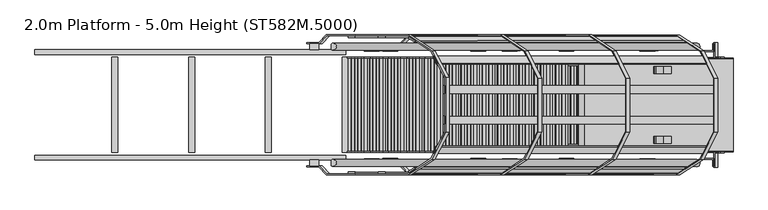
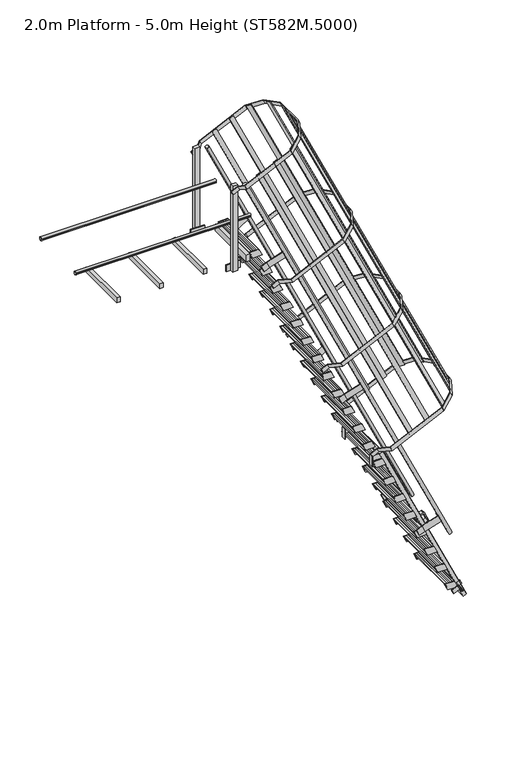
"""IFC4 building model written with IfcOpenShell, lengths in millimetres: proxy geometry, 2.0m Platform - 5.0m Height (ST582M.5000)."""

from ifc_helpers import new_model, si_unit, point, frame, frame_2d, origin, place, context, project, spatial, polyline, circle_curve, trimmed, segment, composite_curve, outline, extrude, source, transform, mapped, element, save


def proxy_2_0m_platform_5_0m_height_st582m_5000_7f1e8ba9(model_context):
    return source(origin(), model_context, "Body", "SweptSolid", [
        extrude(outline(polyline([(4750.0, -287.4261889), (4670.0, -250.1215813), (4670.0, -139.7837842), (4750.0, -177.0883969), (4750.0, -287.4261889)])), frame((0.0, 298.5, 0.0), z_axis=(0.0, 1.0, 0.0), x_axis=(0.0, 0.0, 1.0)), (0.0, 0.0, 1.0), 6.0),
        extrude(outline(polyline([(4750.0, -287.4261889), (4670.0, -250.1215813), (4670.0, -139.7837842), (4750.0, -177.0883969), (4750.0, -287.4261889)])), frame((0.0, -304.5, 0.0), z_axis=(0.0, 1.0, 0.0), x_axis=(0.0, 0.0, 1.0)), (0.0, 0.0, 1.0), 6.0),
        extrude(outline(polyline([(4750.0, -280.2542326), (4712.0999991, -262.5811744), (4712.0999991, -260.3744186), (4747.0, -276.648554), (4747.0, -177.8962297), (4712.0999991, -161.6220921), (4712.0999991, -159.4153362), (4750.0, -177.0883969), (4750.0, -197.516138), (4749.2749538, -197.8542326), (4750.0, -198.1923272), (4750.0, -218.116138), (4749.2749538, -218.4542326), (4750.0, -218.7923272), (4750.0, -238.716138), (4749.2749538, -239.0542326), (4750.0, -239.3923272), (4750.0, -259.316138), (4749.2749538, -259.6542326), (4750.0, -259.9923272), (4750.0, -280.2542326)])), frame((0.0, -298.5, 0.0), z_axis=(0.0, 1.0, 0.0), x_axis=(0.0, 0.0, 1.0)), (0.0, 0.0, 1.0), 597.0),
        extrude(outline(polyline([(4500.0, -170.8475896), (4420.0, -133.542982), (4420.0, -23.2051849), (4500.0, -60.5097976), (4500.0, -170.8475896)])), frame((0.0, 298.5, 0.0), z_axis=(0.0, 1.0, 0.0), x_axis=(0.0, 0.0, 1.0)), (0.0, 0.0, 1.0), 6.0),
        extrude(outline(polyline([(4500.0, -170.8475896), (4420.0, -133.542982), (4420.0, -23.2051849), (4500.0, -60.5097976), (4500.0, -170.8475896)])), frame((0.0, -304.5, 0.0), z_axis=(0.0, 1.0, 0.0), x_axis=(0.0, 0.0, 1.0)), (0.0, 0.0, 1.0), 6.0),
        extrude(outline(polyline([(4500.0, -163.6756333), (4462.0999991, -146.0025751), (4462.0999991, -143.7958193), (4497.0, -160.0699547), (4497.0, -61.3176305), (4462.0999991, -45.0434928), (4462.0999991, -42.8367369), (4500.0, -60.5097976), (4500.0, -80.9375387), (4499.2749538, -81.2756333), (4500.0, -81.6137279), (4500.0, -101.5375387), (4499.2749538, -101.8756333), (4500.0, -102.2137279), (4500.0, -122.1375387), (4499.2749538, -122.4756333), (4500.0, -122.8137279), (4500.0, -142.7375387), (4499.2749538, -143.0756333), (4500.0, -143.4137279), (4500.0, -163.6756333)])), frame((0.0, -298.5, 0.0), z_axis=(0.0, 1.0, 0.0), x_axis=(0.0, 0.0, 1.0)), (0.0, 0.0, 1.0), 597.0),
        extrude(outline(polyline([(4250.0, -54.2689903), (4170.0, -16.9643827), (4170.0, 93.3734144), (4250.0, 56.0688017), (4250.0, -54.2689903)])), frame((0.0, 298.5, 0.0), z_axis=(0.0, 1.0, 0.0), x_axis=(0.0, 0.0, 1.0)), (0.0, 0.0, 1.0), 6.0),
        extrude(outline(polyline([(4250.0, -54.2689903), (4170.0, -16.9643827), (4170.0, 93.3734144), (4250.0, 56.0688017), (4250.0, -54.2689903)])), frame((0.0, -304.5, 0.0), z_axis=(0.0, 1.0, 0.0), x_axis=(0.0, 0.0, 1.0)), (0.0, 0.0, 1.0), 6.0),
        extrude(outline(polyline([(4250.0, -47.097034), (4212.0999991, -29.4239758), (4212.0999991, -27.21722), (4247.0, -43.4913555), (4247.0, 55.2609688), (4212.0999991, 71.5351065), (4212.0999991, 73.7418623), (4250.0, 56.0688017), (4250.0, 35.6410605), (4249.2749538, 35.302966), (4250.0, 34.9648714), (4250.0, 15.0410605), (4249.2749538, 14.702966), (4250.0, 14.3648714), (4250.0, -5.5589395), (4249.2749538, -5.897034), (4250.0, -6.2351286), (4250.0, -26.1589395), (4249.2749538, -26.497034), (4250.0, -26.8351286), (4250.0, -47.097034)])), frame((0.0, -298.5, 0.0), z_axis=(0.0, 1.0, 0.0), x_axis=(0.0, 0.0, 1.0)), (0.0, 0.0, 1.0), 597.0),
        extrude(outline(polyline([(4000.0, 62.309609), (3920.0, 99.6142166), (3920.0, 209.9520136), (4000.0, 172.647401), (4000.0, 62.309609)])), frame((0.0, 298.5, 0.0), z_axis=(0.0, 1.0, 0.0), x_axis=(0.0, 0.0, 1.0)), (0.0, 0.0, 1.0), 6.0),
        extrude(outline(polyline([(4000.0, 62.309609), (3920.0, 99.6142166), (3920.0, 209.9520136), (4000.0, 172.647401), (4000.0, 62.309609)])), frame((0.0, -304.5, 0.0), z_axis=(0.0, 1.0, 0.0), x_axis=(0.0, 0.0, 1.0)), (0.0, 0.0, 1.0), 6.0),
        extrude(outline(polyline([(4000.0, 69.4815653), (3962.0999991, 87.1546235), (3962.0999991, 89.3613793), (3997.0, 73.0872438), (3997.0, 171.8395681), (3962.0999991, 188.1137058), (3962.0999991, 190.3204616), (4000.0, 172.647401), (4000.0, 152.2196598), (3999.2749538, 151.8815653), (4000.0, 151.5434707), (4000.0, 131.6196598), (3999.2749538, 131.2815653), (4000.0, 130.9434707), (4000.0, 111.0196598), (3999.2749538, 110.6815653), (4000.0, 110.3434707), (4000.0, 90.4196598), (3999.2749538, 90.0815653), (4000.0, 89.7434707), (4000.0, 69.4815653)])), frame((0.0, -298.5, 0.0), z_axis=(0.0, 1.0, 0.0), x_axis=(0.0, 0.0, 1.0)), (0.0, 0.0, 1.0), 597.0),
        extrude(outline(polyline([(3750.0, 178.8882083), (3670.0, 216.1928159), (3670.0, 326.5306129), (3750.0, 289.2260003), (3750.0, 178.8882083)])), frame((0.0, 298.5, 0.0), z_axis=(0.0, 1.0, 0.0), x_axis=(0.0, 0.0, 1.0)), (0.0, 0.0, 1.0), 6.0),
        extrude(outline(polyline([(3750.0, 178.8882083), (3670.0, 216.1928159), (3670.0, 326.5306129), (3750.0, 289.2260003), (3750.0, 178.8882083)])), frame((0.0, -304.5, 0.0), z_axis=(0.0, 1.0, 0.0), x_axis=(0.0, 0.0, 1.0)), (0.0, 0.0, 1.0), 6.0),
        extrude(outline(polyline([(3750.0, 186.0601646), (3712.0999991, 203.7332228), (3712.0999991, 205.9399786), (3747.0, 189.6658431), (3747.0, 288.4181674), (3712.0999991, 304.6923051), (3712.0999991, 306.8990609), (3750.0, 289.2260003), (3750.0, 268.7982591), (3749.2749538, 268.4601646), (3750.0, 268.12207), (3750.0, 248.1982591), (3749.2749538, 247.8601646), (3750.0, 247.52207), (3750.0, 227.5982591), (3749.2749538, 227.2601646), (3750.0, 226.92207), (3750.0, 206.9982591), (3749.2749538, 206.6601646), (3750.0, 206.32207), (3750.0, 186.0601646)])), frame((0.0, -298.5, 0.0), z_axis=(0.0, 1.0, 0.0), x_axis=(0.0, 0.0, 1.0)), (0.0, 0.0, 1.0), 597.0),
        extrude(outline(polyline([(3500.0, 295.4668075), (3420.0, 332.7714151), (3420.0, 443.1092122), (3500.0, 405.8045996), (3500.0, 295.4668075)])), frame((0.0, 298.5, 0.0), z_axis=(0.0, 1.0, 0.0), x_axis=(0.0, 0.0, 1.0)), (0.0, 0.0, 1.0), 6.0),
        extrude(outline(polyline([(3500.0, 295.4668075), (3420.0, 332.7714151), (3420.0, 443.1092122), (3500.0, 405.8045996), (3500.0, 295.4668075)])), frame((0.0, -304.5, 0.0), z_axis=(0.0, 1.0, 0.0), x_axis=(0.0, 0.0, 1.0)), (0.0, 0.0, 1.0), 6.0),
        extrude(outline(polyline([(3500.0, 302.6387638), (3462.0999991, 320.3118221), (3462.0999991, 322.5185779), (3497.0, 306.2444424), (3497.0, 404.9967667), (3462.0999991, 421.2709044), (3462.0999991, 423.4776602), (3500.0, 405.8045996), (3500.0, 385.3768584), (3499.2749538, 385.0387638), (3500.0, 384.7006693), (3500.0, 364.7768584), (3499.2749538, 364.4387638), (3500.0, 364.1006693), (3500.0, 344.1768584), (3499.2749538, 343.8387638), (3500.0, 343.5006693), (3500.0, 323.5768584), (3499.2749538, 323.2387638), (3500.0, 322.9006693), (3500.0, 302.6387638)])), frame((0.0, -298.5, 0.0), z_axis=(0.0, 1.0, 0.0), x_axis=(0.0, 0.0, 1.0)), (0.0, 0.0, 1.0), 597.0),
        extrude(outline(polyline([(3250.0, 412.0454068), (3170.0, 449.3500144), (3170.0, 559.6878115), (3250.0, 522.3831988), (3250.0, 412.0454068)])), frame((0.0, 298.5, 0.0), z_axis=(0.0, 1.0, 0.0), x_axis=(0.0, 0.0, 1.0)), (0.0, 0.0, 1.0), 6.0),
        extrude(outline(polyline([(3250.0, 412.0454068), (3170.0, 449.3500144), (3170.0, 559.6878115), (3250.0, 522.3831988), (3250.0, 412.0454068)])), frame((0.0, -304.5, 0.0), z_axis=(0.0, 1.0, 0.0), x_axis=(0.0, 0.0, 1.0)), (0.0, 0.0, 1.0), 6.0),
        extrude(outline(polyline([(3250.0, 419.2173631), (3212.0999991, 436.8904214), (3212.0999991, 439.0971772), (3247.0, 422.8230417), (3247.0, 521.575366), (3212.0999991, 537.8495037), (3212.0999991, 540.0562595), (3250.0, 522.3831988), (3250.0, 501.9554577), (3249.2749538, 501.6173631), (3250.0, 501.2792686), (3250.0, 481.3554577), (3249.2749538, 481.0173631), (3250.0, 480.6792686), (3250.0, 460.7554577), (3249.2749538, 460.4173631), (3250.0, 460.0792686), (3250.0, 440.1554577), (3249.2749538, 439.8173631), (3250.0, 439.4792686), (3250.0, 419.2173631)])), frame((0.0, -298.5, 0.0), z_axis=(0.0, 1.0, 0.0), x_axis=(0.0, 0.0, 1.0)), (0.0, 0.0, 1.0), 597.0),
        extrude(outline(polyline([(3000.0, 528.6240061), (2920.0, 565.9286137), (2920.0, 676.2664108), (3000.0, 638.9617981), (3000.0, 528.6240061)])), frame((0.0, 298.5, 0.0), z_axis=(0.0, 1.0, 0.0), x_axis=(0.0, 0.0, 1.0)), (0.0, 0.0, 1.0), 6.0),
        extrude(outline(polyline([(3000.0, 528.6240061), (2920.0, 565.9286137), (2920.0, 676.2664108), (3000.0, 638.9617981), (3000.0, 528.6240061)])), frame((0.0, -304.5, 0.0), z_axis=(0.0, 1.0, 0.0), x_axis=(0.0, 0.0, 1.0)), (0.0, 0.0, 1.0), 6.0),
        extrude(outline(polyline([(3000.0, 535.7959624), (2962.0999991, 553.4690207), (2962.0999991, 555.6757764), (2997.0, 539.401641), (2997.0, 638.1539653), (2962.0999991, 654.4281029), (2962.0999991, 656.6348588), (3000.0, 638.9617981), (3000.0, 618.534057), (2999.2749538, 618.1959624), (3000.0, 617.8578678), (3000.0, 597.934057), (2999.2749538, 597.5959624), (3000.0, 597.2578678), (3000.0, 577.334057), (2999.2749538, 576.9959624), (3000.0, 576.6578678), (3000.0, 556.734057), (2999.2749538, 556.3959624), (3000.0, 556.0578678), (3000.0, 535.7959624)])), frame((0.0, -298.5, 0.0), z_axis=(0.0, 1.0, 0.0), x_axis=(0.0, 0.0, 1.0)), (0.0, 0.0, 1.0), 597.0),
        extrude(outline(polyline([(2750.0, 645.2026054), (2670.0, 682.507213), (2670.0, 792.8450101), (2750.0, 755.5403974), (2750.0, 645.2026054)])), frame((0.0, 298.5, 0.0), z_axis=(0.0, 1.0, 0.0), x_axis=(0.0, 0.0, 1.0)), (0.0, 0.0, 1.0), 6.0),
        extrude(outline(polyline([(2750.0, 645.2026054), (2670.0, 682.507213), (2670.0, 792.8450101), (2750.0, 755.5403974), (2750.0, 645.2026054)])), frame((0.0, -304.5, 0.0), z_axis=(0.0, 1.0, 0.0), x_axis=(0.0, 0.0, 1.0)), (0.0, 0.0, 1.0), 6.0),
        extrude(outline(polyline([(2750.0, 652.3745617), (2712.0999991, 670.0476199), (2712.0999991, 672.2543757), (2747.0, 655.9802403), (2747.0, 754.7325646), (2712.0999991, 771.0067022), (2712.0999991, 773.2134581), (2750.0, 755.5403974), (2750.0, 735.1126563), (2749.2749538, 734.7745617), (2750.0, 734.4364671), (2750.0, 714.5126563), (2749.2749538, 714.1745617), (2750.0, 713.8364671), (2750.0, 693.9126563), (2749.2749538, 693.5745617), (2750.0, 693.2364671), (2750.0, 673.3126563), (2749.2749538, 672.9745617), (2750.0, 672.6364671), (2750.0, 652.3745617)])), frame((0.0, -298.5, 0.0), z_axis=(0.0, 1.0, 0.0), x_axis=(0.0, 0.0, 1.0)), (0.0, 0.0, 1.0), 597.0),
        extrude(outline(polyline([(2500.0, 761.7812047), (2420.0, 799.0858123), (2420.0, 909.4236094), (2500.0, 872.1189967), (2500.0, 761.7812047)])), frame((0.0, 298.5, 0.0), z_axis=(0.0, 1.0, 0.0), x_axis=(0.0, 0.0, 1.0)), (0.0, 0.0, 1.0), 6.0),
        extrude(outline(polyline([(2500.0, 761.7812047), (2420.0, 799.0858123), (2420.0, 909.4236094), (2500.0, 872.1189967), (2500.0, 761.7812047)])), frame((0.0, -304.5, 0.0), z_axis=(0.0, 1.0, 0.0), x_axis=(0.0, 0.0, 1.0)), (0.0, 0.0, 1.0), 6.0),
        extrude(outline(polyline([(2500.0, 768.953161), (2462.0999991, 786.6262192), (2462.0999991, 788.832975), (2497.0, 772.5588396), (2497.0, 871.3111638), (2462.0999991, 887.5853015), (2462.0999991, 889.7920574), (2500.0, 872.1189967), (2500.0, 851.6912556), (2499.2749538, 851.353161), (2500.0, 851.0150664), (2500.0, 831.0912556), (2499.2749538, 830.753161), (2500.0, 830.4150664), (2500.0, 810.4912556), (2499.2749538, 810.153161), (2500.0, 809.8150664), (2500.0, 789.8912556), (2499.2749538, 789.553161), (2500.0, 789.2150664), (2500.0, 768.953161)])), frame((0.0, -298.5, 0.0), z_axis=(0.0, 1.0, 0.0), x_axis=(0.0, 0.0, 1.0)), (0.0, 0.0, 1.0), 597.0),
        extrude(outline(polyline([(2250.0, 878.359804), (2170.0, 915.6644116), (2170.0, 1026.0022087), (2250.0, 988.697596), (2250.0, 878.359804)])), frame((0.0, 298.5, 0.0), z_axis=(0.0, 1.0, 0.0), x_axis=(0.0, 0.0, 1.0)), (0.0, 0.0, 1.0), 6.0),
        extrude(outline(polyline([(2250.0, 878.359804), (2170.0, 915.6644116), (2170.0, 1026.0022087), (2250.0, 988.697596), (2250.0, 878.359804)])), frame((0.0, -304.5, 0.0), z_axis=(0.0, 1.0, 0.0), x_axis=(0.0, 0.0, 1.0)), (0.0, 0.0, 1.0), 6.0),
        extrude(outline(polyline([(2250.0, 885.5317603), (2212.0999991, 903.2048185), (2212.0999991, 905.4115743), (2247.0, 889.1374388), (2247.0, 987.8897631), (2212.0999991, 1004.1639008), (2212.0999991, 1006.3706566), (2250.0, 988.697596), (2250.0, 968.2698548), (2249.2749538, 967.9317603), (2250.0, 967.5936657), (2250.0, 947.6698548), (2249.2749538, 947.3317603), (2250.0, 946.9936657), (2250.0, 927.0698548), (2249.2749538, 926.7317603), (2250.0, 926.3936657), (2250.0, 906.4698548), (2249.2749538, 906.1317603), (2250.0, 905.7936657), (2250.0, 885.5317603)])), frame((0.0, -298.5, 0.0), z_axis=(0.0, 1.0, 0.0), x_axis=(0.0, 0.0, 1.0)), (0.0, 0.0, 1.0), 597.0),
        extrude(outline(polyline([(2000.0, 994.9384033), (1920.0, 1032.2430109), (1920.0, 1142.5808079), (2000.0, 1105.2761953), (2000.0, 994.9384033)])), frame((0.0, 298.5, 0.0), z_axis=(0.0, 1.0, 0.0), x_axis=(0.0, 0.0, 1.0)), (0.0, 0.0, 1.0), 6.0),
        extrude(outline(polyline([(2000.0, 994.9384033), (1920.0, 1032.2430109), (1920.0, 1142.5808079), (2000.0, 1105.2761953), (2000.0, 994.9384033)])), frame((0.0, -304.5, 0.0), z_axis=(0.0, 1.0, 0.0), x_axis=(0.0, 0.0, 1.0)), (0.0, 0.0, 1.0), 6.0),
        extrude(outline(polyline([(2000.0, 1002.1103596), (1962.0999991, 1019.7834178), (1962.0999991, 1021.9901736), (1997.0, 1005.7160381), (1997.0, 1104.4683624), (1962.0999991, 1120.7425001), (1962.0999991, 1122.9492559), (2000.0, 1105.2761953), (2000.0, 1084.8484541), (1999.2749538, 1084.5103596), (2000.0, 1084.172265), (2000.0, 1064.2484541), (1999.2749538, 1063.9103596), (2000.0, 1063.572265), (2000.0, 1043.6484541), (1999.2749538, 1043.3103596), (2000.0, 1042.972265), (2000.0, 1023.0484541), (1999.2749538, 1022.7103596), (2000.0, 1022.372265), (2000.0, 1002.1103596)])), frame((0.0, -298.5, 0.0), z_axis=(0.0, 1.0, 0.0), x_axis=(0.0, 0.0, 1.0)), (0.0, 0.0, 1.0), 597.0),
        extrude(outline(polyline([(1750.0, 1111.5170026), (1670.0, 1148.8216102), (1670.0, 1259.1594072), (1750.0, 1221.8547946), (1750.0, 1111.5170026)])), frame((0.0, 298.5, 0.0), z_axis=(0.0, 1.0, 0.0), x_axis=(0.0, 0.0, 1.0)), (0.0, 0.0, 1.0), 6.0),
        extrude(outline(polyline([(1750.0, 1111.5170026), (1670.0, 1148.8216102), (1670.0, 1259.1594072), (1750.0, 1221.8547946), (1750.0, 1111.5170026)])), frame((0.0, -304.5, 0.0), z_axis=(0.0, 1.0, 0.0), x_axis=(0.0, 0.0, 1.0)), (0.0, 0.0, 1.0), 6.0),
        extrude(outline(polyline([(1750.0, 1118.6889589), (1712.0999991, 1136.3620171), (1712.0999991, 1138.5687729), (1747.0, 1122.2946374), (1747.0, 1221.0469617), (1712.0999991, 1237.3210994), (1712.0999991, 1239.5278552), (1750.0, 1221.8547946), (1750.0, 1201.4270534), (1749.2749538, 1201.0889589), (1750.0, 1200.7508643), (1750.0, 1180.8270534), (1749.2749538, 1180.4889589), (1750.0, 1180.1508643), (1750.0, 1160.2270534), (1749.2749538, 1159.8889589), (1750.0, 1159.5508643), (1750.0, 1139.6270534), (1749.2749538, 1139.2889589), (1750.0, 1138.9508643), (1750.0, 1118.6889589)])), frame((0.0, -298.5, 0.0), z_axis=(0.0, 1.0, 0.0), x_axis=(0.0, 0.0, 1.0)), (0.0, 0.0, 1.0), 597.0),
        extrude(outline(polyline([(1500.0, 1228.0956018), (1420.0, 1265.4002094), (1420.0, 1375.7380065), (1500.0, 1338.4333939), (1500.0, 1228.0956018)])), frame((0.0, 298.5, 0.0), z_axis=(0.0, 1.0, 0.0), x_axis=(0.0, 0.0, 1.0)), (0.0, 0.0, 1.0), 6.0),
        extrude(outline(polyline([(1500.0, 1228.0956018), (1420.0, 1265.4002094), (1420.0, 1375.7380065), (1500.0, 1338.4333939), (1500.0, 1228.0956018)])), frame((0.0, -304.5, 0.0), z_axis=(0.0, 1.0, 0.0), x_axis=(0.0, 0.0, 1.0)), (0.0, 0.0, 1.0), 6.0),
        extrude(outline(polyline([(1500.0, 1235.2675581), (1462.0999991, 1252.9406164), (1462.0999991, 1255.1473722), (1497.0, 1238.8732367), (1497.0, 1337.625561), (1462.0999991, 1353.8996987), (1462.0999991, 1356.1064545), (1500.0, 1338.4333939), (1500.0, 1318.0056527), (1499.2749538, 1317.6675581), (1500.0, 1317.3294636), (1500.0, 1297.4056527), (1499.2749538, 1297.0675581), (1500.0, 1296.7294636), (1500.0, 1276.8056527), (1499.2749538, 1276.4675581), (1500.0, 1276.1294636), (1500.0, 1256.2056527), (1499.2749538, 1255.8675581), (1500.0, 1255.5294636), (1500.0, 1235.2675581)])), frame((0.0, -298.5, 0.0), z_axis=(0.0, 1.0, 0.0), x_axis=(0.0, 0.0, 1.0)), (0.0, 0.0, 1.0), 597.0),
        extrude(outline(polyline([(1250.0, 1344.6742011), (1170.0, 1381.9788087), (1170.0, 1492.3166058), (1250.0, 1455.0119931), (1250.0, 1344.6742011)])), frame((0.0, 298.5, 0.0), z_axis=(0.0, 1.0, 0.0), x_axis=(0.0, 0.0, 1.0)), (0.0, 0.0, 1.0), 6.0),
        extrude(outline(polyline([(1250.0, 1344.6742011), (1170.0, 1381.9788087), (1170.0, 1492.3166058), (1250.0, 1455.0119931), (1250.0, 1344.6742011)])), frame((0.0, -304.5, 0.0), z_axis=(0.0, 1.0, 0.0), x_axis=(0.0, 0.0, 1.0)), (0.0, 0.0, 1.0), 6.0),
        extrude(outline(polyline([(1250.0, 1351.8461574), (1212.0999991, 1369.5192157), (1212.0999991, 1371.7259715), (1247.0, 1355.451836), (1247.0, 1454.2041603), (1212.0999991, 1470.478298), (1212.0999991, 1472.6850538), (1250.0, 1455.0119931), (1250.0, 1434.584252), (1249.2749538, 1434.2461574), (1250.0, 1433.9080629), (1250.0, 1413.984252), (1249.2749538, 1413.6461574), (1250.0, 1413.3080629), (1250.0, 1393.384252), (1249.2749538, 1393.0461574), (1250.0, 1392.7080629), (1250.0, 1372.784252), (1249.2749538, 1372.4461574), (1250.0, 1372.1080629), (1250.0, 1351.8461574)])), frame((0.0, -298.5, 0.0), z_axis=(0.0, 1.0, 0.0), x_axis=(0.0, 0.0, 1.0)), (0.0, 0.0, 1.0), 597.0),
        extrude(outline(polyline([(1000.0, 1461.2528004), (920.0, 1498.557408), (920.0, 1608.8952051), (1000.0, 1571.5905924), (1000.0, 1461.2528004)])), frame((0.0, 298.5, 0.0), z_axis=(0.0, 1.0, 0.0), x_axis=(0.0, 0.0, 1.0)), (0.0, 0.0, 1.0), 6.0),
        extrude(outline(polyline([(1000.0, 1461.2528004), (920.0, 1498.557408), (920.0, 1608.8952051), (1000.0, 1571.5905924), (1000.0, 1461.2528004)])), frame((0.0, -304.5, 0.0), z_axis=(0.0, 1.0, 0.0), x_axis=(0.0, 0.0, 1.0)), (0.0, 0.0, 1.0), 6.0),
        extrude(outline(polyline([(1000.0, 1468.4247567), (962.0999991, 1486.097815), (962.0999991, 1488.3045707), (997.0, 1472.0304353), (997.0, 1570.7827596), (962.0999991, 1587.0568972), (962.0999991, 1589.2636531), (1000.0, 1571.5905924), (1000.0, 1551.1628513), (999.2749538, 1550.8247567), (1000.0, 1550.4866621), (1000.0, 1530.5628513), (999.2749538, 1530.2247567), (1000.0, 1529.8866621), (1000.0, 1509.9628513), (999.2749538, 1509.6247567), (1000.0, 1509.2866621), (1000.0, 1489.3628513), (999.2749538, 1489.0247567), (1000.0, 1488.6866621), (1000.0, 1468.4247567)])), frame((0.0, -298.5, 0.0), z_axis=(0.0, 1.0, 0.0), x_axis=(0.0, 0.0, 1.0)), (0.0, 0.0, 1.0), 597.0),
        extrude(outline(polyline([(750.0, 1577.8313997), (670.0, 1615.1360073), (670.0, 1725.4738044), (750.0, 1688.1691917), (750.0, 1577.8313997)])), frame((0.0, 298.5, 0.0), z_axis=(0.0, 1.0, 0.0), x_axis=(0.0, 0.0, 1.0)), (0.0, 0.0, 1.0), 6.0),
        extrude(outline(polyline([(750.0, 1577.8313997), (670.0, 1615.1360073), (670.0, 1725.4738044), (750.0, 1688.1691917), (750.0, 1577.8313997)])), frame((0.0, -304.5, 0.0), z_axis=(0.0, 1.0, 0.0), x_axis=(0.0, 0.0, 1.0)), (0.0, 0.0, 1.0), 6.0),
        extrude(outline(polyline([(750.0, 1585.003356), (712.0999991, 1602.6764142), (712.0999991, 1604.88317), (747.0, 1588.6090346), (747.0, 1687.3613589), (712.0999991, 1703.6354965), (712.0999991, 1705.8422524), (750.0, 1688.1691917), (750.0, 1667.7414506), (749.2749538, 1667.403356), (750.0, 1667.0652614), (750.0, 1647.1414506), (749.2749538, 1646.803356), (750.0, 1646.4652614), (750.0, 1626.5414506), (749.2749538, 1626.203356), (750.0, 1625.8652614), (750.0, 1605.9414506), (749.2749538, 1605.603356), (750.0, 1605.2652614), (750.0, 1585.003356)])), frame((0.0, -298.5, 0.0), z_axis=(0.0, 1.0, 0.0), x_axis=(0.0, 0.0, 1.0)), (0.0, 0.0, 1.0), 597.0),
        extrude(outline(polyline([(500.0, 1694.409999), (420.0, 1731.7146066), (420.0, 1842.0524037), (500.0, 1804.747791), (500.0, 1694.409999)])), frame((0.0, 298.5, 0.0), z_axis=(0.0, 1.0, 0.0), x_axis=(0.0, 0.0, 1.0)), (0.0, 0.0, 1.0), 6.0),
        extrude(outline(polyline([(500.0, 1694.409999), (420.0, 1731.7146066), (420.0, 1842.0524037), (500.0, 1804.747791), (500.0, 1694.409999)])), frame((0.0, -304.5, 0.0), z_axis=(0.0, 1.0, 0.0), x_axis=(0.0, 0.0, 1.0)), (0.0, 0.0, 1.0), 6.0),
        extrude(outline(polyline([(500.0, 1701.5819553), (462.0999991, 1719.2550135), (462.0999991, 1721.4617693), (497.0, 1705.1876339), (497.0, 1803.9399581), (462.0999991, 1820.2140958), (462.0999991, 1822.4208517), (500.0, 1804.747791), (500.0, 1784.3200499), (499.2749538, 1783.9819553), (500.0, 1783.6438607), (500.0, 1763.7200499), (499.2749538, 1763.3819553), (500.0, 1763.0438607), (500.0, 1743.1200499), (499.2749538, 1742.7819553), (500.0, 1742.4438607), (500.0, 1722.5200499), (499.2749538, 1722.1819553), (500.0, 1721.8438607), (500.0, 1701.5819553)])), frame((0.0, -298.5, 0.0), z_axis=(0.0, 1.0, 0.0), x_axis=(0.0, 0.0, 1.0)), (0.0, 0.0, 1.0), 597.0),
        extrude(outline(polyline([(0.0, -6.0), (0.0, 0.0), (50.0, 0.0), (50.0, -6.0), (0.0, -6.0)])), frame((1001.5086641, 296.0, 1938.5821407), z_axis=(-5.264905366508809e-06, 0.0, 0.9999999999861404), x_axis=(0.0, -1.0, 0.0)), (0.0, 0.0, 1.0), 120.0),
        extrude(outline(polyline([(2000.5826938, 1106.5541818), (2058.5825514, 1079.5080323), (2058.5821407, 1001.5080323), (2000.5821407, 1001.5083377), (2000.5826938, 1106.5541818)])), frame((0.0, 252.0, 0.0), z_axis=(0.0, 1.0, 0.0), x_axis=(0.0, 0.0, 1.0)), (0.0, 0.0, 1.0), 38.0),
        extrude(outline(polyline([(0.0, -6.0), (0.0, 0.0), (50.0, 0.0), (50.0, -6.0), (0.0, -6.0)])), frame((995.5086641, -296.0, 1938.5821091), z_axis=(-5.264905364066319e-06, 0.0, 0.9999999999861405), x_axis=(0.0, 1.0, 0.0)), (0.0, 0.0, 1.0), 120.0),
        extrude(outline(polyline([(2000.5826938, 1106.5541818), (2058.5825514, 1079.5080323), (2058.5821407, 1001.5080323), (2000.5821407, 1001.5083377), (2000.5826938, 1106.5541818)])), frame((0.0, -290.0, 0.0), z_axis=(0.0, 1.0, 0.0), x_axis=(0.0, 0.0, 1.0)), (0.0, 0.0, 1.0), 38.0),
        extrude(outline(polyline([(0.0, -590.0), (0.0, 0.0), (2.0, 0.0), (2.0, -590.0), (0.0, -590.0)])), frame((2060.3227343, -295.0, 49.8945417), z_axis=(-0.4226230333595665, 0.0, 0.9063055619789381), x_axis=(-0.9063055619789381, 0.0, -0.4226230333595665)), (0.0, 0.0, 1.0), 2240.0),
        extrude(outline(polyline([(2249.9999999, 0.0), (2249.9999999, -600.0), (0.0, -600.0), (0.0, 0.0), (2249.9999999, 0.0)]), holes=[polyline([(1095.9999999, -58.0), (58.0, -58.0), (58.0, -542.0), (1095.9999999, -542.0), (1095.9999999, -58.0)]), polyline([(1154.0, -542.0), (2191.9999999, -542.0), (2191.9999999, -58.0), (1154.0, -58.0), (1154.0, -542.0)])]), frame((1075.281802, 300.0, 2067.645607), z_axis=(0.9063055619789381, 0.0, 0.4226230333595665), x_axis=(0.4226230333595665, 0.0, -0.9063055619789381)), (0.0, 0.0, 1.0), 38.0),
        extrude(outline(polyline([(0.0, 0.0), (80.0000001, 0.0), (80.0000001, -6.0), (6.0, -6.0), (6.0, -50.0), (0.0, -50.0), (0.0, 0.0)])), frame((1958.5639417, 343.0, 173.4669825), z_axis=(-0.4226230333595665, 0.0, 0.9063055619789381), x_axis=(-0.9063055619789381, 0.0, -0.4226230333595665)), (0.0, 0.0, 1.0), 50.0),
        extrude(outline(polyline([(0.0, 686.0), (0.0, 736.0), (6.0, 736.0), (6.0, 692.0), (80.0000001, 692.0), (80.0000001, 686.0), (0.0, 686.0)])), frame((1958.5639417, 343.0, 173.4669825), z_axis=(-0.4226230333595665, 0.0, 0.9063055619789381), x_axis=(-0.9063055619789381, 0.0, -0.4226230333595665)), (0.0, 0.0, 1.0), 50.0),
        extrude(outline(polyline([(-100.0, 0.0), (0.0, 0.0), (0.0, -50.0), (-6.0, -50.0), (-6.0, -6.0), (-100.0, -6.0), (-100.0, 0.0)])), frame((1958.5639417, -300.0, 173.4669825), z_axis=(-0.4226230333595665, 0.0, 0.9063055619789381), x_axis=(0.0, 1.0, 0.0)), (0.0, 0.0, 1.0), 50.0),
        extrude(outline(polyline([(700.0, 0.0), (700.0, -6.0), (606.0, -6.0), (606.0, -50.0), (600.0, -50.0), (600.0, 0.0), (700.0, 0.0)])), frame((1958.5639417, -300.0, 173.4669825), z_axis=(-0.4226230333595665, 0.0, 0.9063055619789381), x_axis=(0.0, 1.0, 0.0)), (0.0, 0.0, 1.0), 50.0),
        extrude(outline(polyline([(1117.9756465, 1562.2614895), (1132.3705659, 1608.5112062), (1038.1147875, 1652.4640017), (1011.9378957, 1611.7083844), (989.2802567, 1622.2739603), (993.506487, 1631.3370159), (1008.007376, 1624.5750474), (1034.1842678, 1665.3306646), (1144.7535463, 1613.7706545), (1130.3586269, 1567.5209378), (1144.8595159, 1560.7589693), (1140.6332855, 1551.6959137), (1117.9756465, 1562.2614895)])), frame((0.0, 201.0, 0.0), z_axis=(0.0, 1.0, 0.0), x_axis=(0.0, 0.0, 1.0)), (0.0, 0.0, 1.0), 44.0),
        extrude(outline(polyline([(1117.9756465, 1562.2614895), (1132.3705659, 1608.5112062), (1038.1147875, 1652.4640017), (1011.9378957, 1611.7083844), (989.2802567, 1622.2739603), (993.506487, 1631.3370159), (1008.007376, 1624.5750474), (1034.1842678, 1665.3306646), (1144.7535463, 1613.7706545), (1130.3586269, 1567.5209378), (1144.8595159, 1560.7589693), (1140.6332855, 1551.6959137), (1117.9756465, 1562.2614895)])), frame((0.0, -245.0, 0.0), z_axis=(0.0, 1.0, 0.0), x_axis=(0.0, 0.0, 1.0)), (0.0, 0.0, 1.0), 44.0),
        extrude(outline(polyline([(-573.915974, 0.0), (0.0, 0.0), (168.0, -100.0), (268.0, -275.0), (268.0, -621.0), (168.0, -796.0), (0.0, -896.0), (-573.915974, -896.0), (-626.9765801, -845.0), (-710.8030304, -845.0), (-710.8030304, -839.0), (-624.5606061, -839.0), (-571.5, -890.0), (-1.5933867, -890.0), (163.6024049, -791.6024049), (262.0, -619.4066134), (262.0, -276.5933866), (163.6024049, -104.3975951), (-1.5933867, -6.0), (-571.5, -6.0), (-624.5606061, -57.0), (-710.8030304, -57.0), (-710.8030304, -51.0), (-626.9765801, -51.0), (-573.915974, 0.0)])), frame((4.1217502, 448.0, 6128.9318413), z_axis=(-0.4226230333595665, 0.0, 0.9063055619789381), x_axis=(0.9063055619789381, 0.0, 0.4226230333595665)), (0.0, 0.0, 1.0), 50.0),
        extrude(outline(polyline([(-6.0, 0.0), (0.0, 0.0), (0.0, -77.584026), (99.0, -180.584026), (99.0, -827.0), (-1.0, -995.0), (-176.0, -1095.0), (-522.0, -1095.0), (-697.0, -995.0), (-797.0, -827.0), (-797.0, -180.584026), (-698.0, -77.584026), (-698.0, 0.0), (-692.0, 0.0), (-692.0, -80.0), (-791.0, -183.0000001), (-791.0, -825.4066134), (-692.6024049, -990.6024049), (-520.4066134, -1089.0), (-177.5933866, -1089.0), (-5.3975951, -990.6024049), (93.0, -825.4066134), (93.0, -183.0000001), (-6.0, -80.0), (-6.0, 0.0)])), frame((408.3248165, 349.0, 3305.3008676), z_axis=(-0.4226230333595665, 0.0, 0.9063055619789381), x_axis=(0.0, 1.0, 0.0)), (0.0, 0.0, 1.0), 50.0),
        extrude(outline(polyline([(-6.0, 0.0), (0.0, 0.0), (0.0, -77.5840259), (99.0, -180.5840259), (99.0, -827.0), (-1.0, -994.9999999), (-176.0, -1094.9999999), (-522.0, -1094.9999999), (-697.0, -994.9999999), (-797.0, -827.0), (-797.0, -180.5840259), (-698.0, -77.5840259), (-698.0, 0.0), (-692.0, 0.0), (-692.0, -79.9999999), (-791.0, -183.0), (-791.0, -825.4066134), (-692.6024049, -990.6024048), (-520.4066134, -1089.0), (-177.5933866, -1089.0), (-5.3975951, -990.6024048), (93.0, -825.4066134), (93.0, -183.0), (-6.0, -79.9999999), (-6.0, 0.0)])), frame((970.370336, 349.0, 2100.0069292), z_axis=(-0.4226230333595665, 0.0, 0.9063055619789381), x_axis=(0.0, 1.0, 0.0)), (0.0, 0.0, 1.0), 50.0),
        extrude(outline(polyline([(0.0, 0.0), (50.0, 0.0), (50.0, -12.0), (0.0, -12.0), (0.0, 0.0)])), frame((1386.3645889, 430.0, 2293.9909015), z_axis=(-0.4226230333595665, 0.0, 0.9063055619789381), x_axis=(-0.9063055619789381, 0.0, -0.4226230333595665)), (0.0, 0.0, 1.0), 4109.795965),
        extrude(outline(polyline([(-210.0, 0.0), (-160.0, 0.0), (-160.0, -12.0), (-210.0, -12.0), (-210.0, 0.0)])), frame((1386.3645889, 430.0, 2293.9909015), z_axis=(-0.4226230333595665, 0.0, 0.9063055619789381), x_axis=(-0.9063055619789381, 0.0, -0.4226230333595665)), (0.0, 0.0, 1.0), 4109.795965),
        extrude(outline(polyline([(-630.0, 357.5), (-618.0, 357.5), (-618.0, 307.5), (-630.0, 307.5), (-630.0, 357.5)])), frame((1386.3645889, 430.0, 2293.9909015), z_axis=(-0.4226230333595665, 0.0, 0.9063055619789381), x_axis=(-0.9063055619789381, 0.0, -0.4226230333595665)), (0.0, 0.0, 1.0), 4109.795965),
        extrude(outline(polyline([(-630.0, 552.5), (-618.0, 552.5), (-618.0, 502.5), (-630.0, 502.5), (-630.0, 552.5)])), frame((1386.3645889, 430.0, 2293.9909015), z_axis=(-0.4226230333595665, 0.0, 0.9063055619789381), x_axis=(-0.9063055619789381, 0.0, -0.4226230333595665)), (0.0, 0.0, 1.0), 4109.795965),
        extrude(outline(polyline([(-210.0, 872.0), (-160.0, 872.0), (-160.0, 860.0), (-210.0, 860.0), (-210.0, 872.0)])), frame((1386.3645889, 430.0, 2293.9909015), z_axis=(-0.4226230333595665, 0.0, 0.9063055619789381), x_axis=(-0.9063055619789381, 0.0, -0.4226230333595665)), (0.0, 0.0, 1.0), 4109.795965),
        extrude(outline(polyline([(0.0, 872.0), (50.0, 872.0), (50.0, 860.0), (0.0, 860.0), (0.0, 872.0)])), frame((1386.3645889, 430.0, 2293.9909015), z_axis=(-0.4226230333595665, 0.0, 0.9063055619789381), x_axis=(-0.9063055619789381, 0.0, -0.4226230333595665)), (0.0, 0.0, 1.0), 4109.795965),
        extrude(outline(polyline([(-416.178252, 29.5287957), (-373.2212406, 3.9417841), (-379.3621233, -6.3678986), (-422.3191349, 19.2191129), (-416.178252, 29.5287957)])), frame((1386.3645889, 430.0, 2293.9909015), z_axis=(-0.4226230333595665, 0.0, 0.9063055619789381), x_axis=(-0.9063055619789381, 0.0, -0.4226230333595665)), (0.0, 0.0, 1.0), 4109.795965),
        extrude(outline(polyline([(-578.1954412, 161.8104088), (-567.7765236, 167.7640761), (-542.9695766, 124.351919), (-553.3884944, 118.3982517), (-578.1954412, 161.8104088)])), frame((1386.3645889, 430.0, 2293.9909015), z_axis=(-0.4226230333595665, 0.0, 0.9063055619789381), x_axis=(-0.9063055619789381, 0.0, -0.4226230333595665)), (0.0, 0.0, 1.0), 4109.795965),
        extrude(outline(polyline([(-416.178252, 830.4712043), (-422.3191349, 840.7808871), (-379.3621233, 866.3678986), (-373.2212406, 856.0582159), (-416.178252, 830.4712043)])), frame((1386.3645889, 430.0, 2293.9909015), z_axis=(-0.4226230333595665, 0.0, 0.9063055619789381), x_axis=(-0.9063055619789381, 0.0, -0.4226230333595665)), (0.0, 0.0, 1.0), 4109.795965),
        extrude(outline(polyline([(-578.1954412, 698.1895912), (-553.3884944, 741.6017483), (-542.9695766, 735.648081), (-567.7765236, 692.2359239), (-578.1954412, 698.1895912)])), frame((1386.3645889, 430.0, 2293.9909015), z_axis=(-0.4226230333595665, 0.0, 0.9063055619789381), x_axis=(-0.9063055619789381, 0.0, -0.4226230333595665)), (0.0, 0.0, 1.0), 4109.795965),
        extrude(outline(polyline([(-6.0, 0.0), (0.0, 0.0), (0.0, -77.584026), (99.0, -180.584026), (99.0, -827.0), (-1.0, -995.0), (-176.0, -1095.0), (-522.0, -1095.0), (-697.0, -995.0), (-797.0, -827.0), (-797.0, -180.584026), (-698.0, -77.584026), (-698.0, 0.0), (-692.0, 0.0), (-692.0, -80.0), (-791.0, -183.0000001), (-791.0, -825.4066134), (-692.6024049, -990.6024049), (-520.4066134, -1089.0), (-177.5933866, -1089.0), (-5.3975951, -990.6024049), (93.0, -825.4066134), (93.0, -183.0000001), (-6.0, -80.0), (-6.0, 0.0)])), frame((-153.7207029, 349.0, 4510.594806), z_axis=(-0.4226230333595665, 0.0, 0.9063055619789381), x_axis=(0.0, 1.0, 0.0)), (0.0, 0.0, 1.0), 50.0),
        extrude(outline(polyline([(-0.0541093, 0.0), (0.7582532, 5.9447512), (185.4590012, 5.9447512), (254.8144324, -3.5328109), (254.0020699, -9.4775622), (184.6466388, 0.0), (-0.0541093, 0.0)])), frame((1728.9800072, 375.0, 1079.9826014), z_axis=(-0.4226230333595666, 0.0, 0.9063055619789382), x_axis=(-0.8979601844013609, -0.13539374535780632, -0.41873146639327163)), (0.0, 0.0, 1.0), 80.0),
        extrude(outline(polyline([(-0.0541093, 0.0), (0.7582532, 5.9447512), (185.4590013, 5.9447512), (254.8144324, -3.5328109), (254.0020699, -9.4775622), (184.6466388, 0.0), (-0.0541093, 0.0)])), frame((848.8979046, 375.0, 2967.2988185), z_axis=(-0.4226230333595666, 0.0, 0.9063055619789382), x_axis=(-0.8979601844013609, -0.13539374535780632, -0.41873146639327163)), (0.0, 0.0, 1.0), 80.0),
        extrude(outline(polyline([(-0.0541093, 0.0), (0.7582532, 5.9447512), (185.4590013, 5.9447512), (254.8144324, -3.5328109), (254.0020699, -9.4775622), (184.6466389, 0.0), (-0.0541093, 0.0)])), frame((-31.1841979, 375.0, 4854.6150355), z_axis=(-0.4226230333595666, 0.0, 0.9063055619789382), x_axis=(-0.8979601844013609, -0.13539374535780632, -0.41873146639327163)), (0.0, 0.0, 1.0), 80.0),
        extrude(outline(polyline([(0.0, 32.0), (3.0, 32.0), (3.0, 0.0), (0.0, 0.0), (0.0, 32.0)])), frame((864.3441003, 388.0, 2941.400178), z_axis=(-0.4226230333595665, 0.0, 0.9063055619789381), x_axis=(-0.9063055619789381, 0.0, -0.4226230333595665)), (0.0, 0.0, 1.0), 140.0),
        extrude(outline(polyline([(0.0, 32.0), (3.0, 32.0), (3.0, 0.0), (0.0, 0.0), (0.0, 32.0)])), frame((1744.4262029, 388.0, 1054.0839609), z_axis=(-0.4226230333595665, 0.0, 0.9063055619789381), x_axis=(-0.9063055619789381, 0.0, -0.4226230333595665)), (0.0, 0.0, 1.0), 140.0),
        extrude(outline(polyline([(0.0, 32.0), (2.9999999, 32.0), (2.9999999, 0.0), (0.0, 0.0), (0.0, 32.0)])), frame((-15.7380023, 388.0, 4828.716395), z_axis=(-0.4226230333595665, 0.0, 0.9063055619789381), x_axis=(-0.9063055619789381, 0.0, -0.4226230333595665)), (0.0, 0.0, 1.0), 140.0),
        extrude(outline(composite_curve([segment(trimmed(circle_curve(frame_2d((0.0, 14.189404)), 22.4521533), [point((-17.4, 0.0))], [point((17.4, 0.0))], False, "CARTESIAN"), True, "CONTINUOUS"), segment(polyline([(17.4, 0.0), (-17.4, 0.0)]), True, "CONTINUOUS")], self_intersect=False)), frame((1816.2721186, 372.0, 900.0120154), z_axis=(-0.4226230333595665, 0.0, 0.9063055619789381), x_axis=(0.0, -1.0, 0.0)), (0.0, 0.0, 1.0), 5494.856305),
        extrude(outline(polyline([(-0.0541092, 0.0), (184.6466389, 0.0), (254.0020699, 9.4775622), (254.8144324, 3.5328109), (185.4590013, -5.9447512), (0.7582532, -5.9447512), (-0.0541092, 0.0)])), frame((1728.9798974, -375.0, 1079.9828372), z_axis=(-0.4226230333595666, 0.0, 0.9063055619789382), x_axis=(-0.8979601844013609, 0.13539374535780632, -0.41873146639327163)), (0.0, 0.0, 1.0), 80.0),
        extrude(outline(polyline([(-0.0541093, 0.0), (184.6466389, 0.0), (254.0020699, 9.4775622), (254.8144324, 3.5328109), (185.4590014, -5.9447512), (0.7582532, -5.9447512), (-0.0541093, 0.0)])), frame((848.8977948, -375.0, 2967.2990543), z_axis=(-0.4226230333595666, 0.0, 0.9063055619789382), x_axis=(-0.8979601844013609, 0.13539374535780632, -0.41873146639327163)), (0.0, 0.0, 1.0), 80.0),
        extrude(outline(polyline([(-0.0541093, 0.0), (184.6466388, 0.0), (254.0020699, 9.4775622), (254.8144324, 3.5328109), (185.4590012, -5.9447512), (0.7582532, -5.9447512), (-0.0541093, 0.0)])), frame((-31.1843078, -375.0, 4854.6152713), z_axis=(-0.4226230333595666, 0.0, 0.9063055619789382), x_axis=(-0.8979601844013609, 0.13539374535780632, -0.41873146639327163)), (0.0, 0.0, 1.0), 80.0),
        extrude(outline(polyline([(0.0, -32.0), (0.0, 0.0), (3.0, 0.0), (3.0, -32.0), (0.0, -32.0)])), frame((864.3439905, -388.0, 2941.4004138), z_axis=(-0.4226230333595665, 0.0, 0.9063055619789381), x_axis=(-0.9063055619789381, 0.0, -0.4226230333595665)), (0.0, 0.0, 1.0), 140.0),
        extrude(outline(polyline([(0.0, -32.0), (0.0, 0.0), (3.0, 0.0), (3.0, -32.0), (0.0, -32.0)])), frame((1744.426093, -388.0, 1054.0841967), z_axis=(-0.4226230333595665, 0.0, 0.9063055619789381), x_axis=(-0.9063055619789381, 0.0, -0.4226230333595665)), (0.0, 0.0, 1.0), 140.0),
        extrude(outline(polyline([(0.0, -32.0), (0.0, 0.0), (3.0, 0.0), (3.0, -32.0), (0.0, -32.0)])), frame((-15.7381121, -388.0, 4828.7166308), z_axis=(-0.4226230333595665, 0.0, 0.9063055619789381), x_axis=(-0.9063055619789381, 0.0, -0.4226230333595665)), (0.0, 0.0, 1.0), 140.0),
        extrude(outline(composite_curve([segment(polyline([(-17.4, 0.0), (17.4, 0.0)]), True, "CONTINUOUS"), segment(trimmed(circle_curve(frame_2d((0.0, -14.189404)), 22.4521533), [point((17.4, 0.0))], [point((-17.4, 0.0))], False, "CARTESIAN"), True, "CONTINUOUS")], self_intersect=False)), frame((1816.2720087, -372.0, 900.0122512), z_axis=(-0.4226230333595665, 0.0, 0.9063055619789381), x_axis=(0.0, 1.0, 0.0)), (0.0, 0.0, 1.0), 5494.856305),
        extrude(outline(polyline([(5000.0, -404.0047882), (4920.0, -366.7001806), (4920.0, -256.3623835), (5000.0, -293.6669962), (5000.0, -404.0047882)])), frame((0.0, 298.5, 0.0), z_axis=(0.0, 1.0, 0.0), x_axis=(0.0, 0.0, 1.0)), (0.0, 0.0, 1.0), 6.0),
        extrude(outline(polyline([(5000.0, -404.0047882), (4920.0, -366.7001806), (4920.0, -256.3623835), (5000.0, -293.6669962), (5000.0, -404.0047882)])), frame((0.0, -304.5, 0.0), z_axis=(0.0, 1.0, 0.0), x_axis=(0.0, 0.0, 1.0)), (0.0, 0.0, 1.0), 6.0),
        extrude(outline(polyline([(5000.0, -396.8328319), (4962.0999991, -379.1597736), (4962.0999991, -376.9530179), (4997.0, -393.2271533), (4997.0, -294.474829), (4962.0999991, -278.2006914), (4962.0999991, -275.9939355), (5000.0, -293.6669962), (5000.0, -314.0947373), (4999.2749538, -314.4328319), (5000.0, -314.7709265), (5000.0, -334.6947373), (4999.2749538, -335.0328319), (5000.0, -335.3709265), (5000.0, -355.2947373), (4999.2749538, -355.6328319), (5000.0, -355.9709265), (5000.0, -375.8947373), (4999.2749538, -376.2328319), (5000.0, -376.5709265), (5000.0, -396.8328319)])), frame((0.0, -298.5, 0.0), z_axis=(0.0, 1.0, 0.0), x_axis=(0.0, 0.0, 1.0)), (0.0, 0.0, 1.0), 597.0),
        extrude(outline(polyline([(250.0, 1810.9885983), (170.0, 1848.2932059), (170.0, 1958.631003), (250.0, 1921.3263903), (250.0, 1810.9885983)])), frame((0.0, 298.5, 0.0), z_axis=(0.0, 1.0, 0.0), x_axis=(0.0, 0.0, 1.0)), (0.0, 0.0, 1.0), 6.0),
        extrude(outline(polyline([(250.0, 1810.9885983), (170.0, 1848.2932059), (170.0, 1958.631003), (250.0, 1921.3263903), (250.0, 1810.9885983)])), frame((0.0, -304.5, 0.0), z_axis=(0.0, 1.0, 0.0), x_axis=(0.0, 0.0, 1.0)), (0.0, 0.0, 1.0), 6.0),
        extrude(outline(polyline([(250.0, 1818.1605546), (212.0999991, 1835.8336128), (212.0999991, 1838.0403686), (247.0, 1821.7662331), (247.0, 1920.5185574), (212.0999991, 1936.7926951), (212.0999991, 1938.9994509), (250.0, 1921.3263903), (250.0, 1900.8986491), (249.2749538, 1900.5605546), (250.0, 1900.22246), (250.0, 1880.2986491), (249.2749538, 1879.9605546), (250.0, 1879.62246), (250.0, 1859.6986491), (249.2749538, 1859.3605546), (250.0, 1859.02246), (250.0, 1839.0986491), (249.2749538, 1838.7605546), (250.0, 1838.42246), (250.0, 1818.1605546)])), frame((0.0, -298.5, 0.0), z_axis=(0.0, 1.0, 0.0), x_axis=(0.0, 0.0, 1.0)), (0.0, 0.0, 1.0), 597.0),
        extrude(outline(polyline([(-396.8328319, -304.5), (-434.8328319, -304.5), (-434.8328319, 304.5), (-396.8328319, 304.5), (-396.8328319, -304.5)])), frame((0.0, 0.0, 4901.0), z_axis=(0.0, 0.0, 1.0), x_axis=(1.0, 0.0, 0.0)), (0.0, 0.0, 1.0), 80.0),
        extrude(outline(polyline([(-1866.8328319, -304.5), (-1904.8328319, -304.5), (-1904.8328319, 304.5), (-1866.8328319, 304.5), (-1866.8328319, -304.5)])), frame((0.0, 0.0, 4923.0), z_axis=(0.0, 0.0, 1.0), x_axis=(1.0, 0.0, 0.0)), (0.0, 0.0, 1.0), 58.0),
        extrude(outline(polyline([(-1376.8328319, -304.5), (-1414.8328319, -304.5), (-1414.8328319, 304.5), (-1376.8328319, 304.5), (-1376.8328319, -304.5)])), frame((0.0, 0.0, 4923.0), z_axis=(0.0, 0.0, 1.0), x_axis=(1.0, 0.0, 0.0)), (0.0, 0.0, 1.0), 58.0),
        extrude(outline(polyline([(-886.8328319, -304.5), (-924.8328319, -304.5), (-924.8328319, 304.5), (-886.8328319, 304.5), (-886.8328319, -304.5)])), frame((0.0, 0.0, 4923.0), z_axis=(0.0, 0.0, 1.0), x_axis=(1.0, 0.0, 0.0)), (0.0, 0.0, 1.0), 58.0),
        extrude(outline(composite_curve([segment(polyline([(353.0, 5478.0), (353.0, 5468.0)]), True, "CONTINUOUS"), segment(trimmed(circle_curve(frame_2d((338.0, 5468.0)), 15.0), [point((353.0, 5468.0))], [point((323.0, 5468.0))], False, "CARTESIAN"), True, "CONTINUOUS"), segment(polyline([(323.0, 5468.0), (323.0, 5478.0)]), True, "CONTINUOUS"), segment(trimmed(circle_curve(frame_2d((338.0, 5478.0)), 15.0), [point((323.0, 5478.0))], [point((353.0, 5478.0))], False, "CARTESIAN"), True, "CONTINUOUS")], self_intersect=False)), frame((-2396.8328319, 0.0, 0.0), z_axis=(1.0, 0.0, 0.0), x_axis=(0.0, 1.0, 0.0)), (0.0, 0.0, 1.0), 1985.0),
        extrude(outline(composite_curve([segment(trimmed(circle_curve(frame_2d((-338.0, 5478.0)), 15.0), [point((-353.0, 5478.0))], [point((-323.0, 5478.0))], False, "CARTESIAN"), True, "CONTINUOUS"), segment(polyline([(-323.0, 5478.0), (-323.0, 5468.0)]), True, "CONTINUOUS"), segment(trimmed(circle_curve(frame_2d((-338.0, 5468.0)), 15.0), [point((-323.0, 5468.0))], [point((-353.0, 5468.0))], False, "CARTESIAN"), True, "CONTINUOUS"), segment(polyline([(-353.0, 5468.0), (-353.0, 5478.0)]), True, "CONTINUOUS")], self_intersect=False)), frame((-2396.8328319, 0.0, 0.0), z_axis=(1.0, 0.0, 0.0), x_axis=(0.0, 1.0, 0.0)), (0.0, 0.0, 1.0), 1985.0),
        extrude(outline(polyline([(-692.8328319, 353.0), (-532.8328319, 353.0), (-532.8328319, 343.0), (-692.8328319, 343.0), (-692.8328319, 353.0)])), frame((0.0, 0.0, 4901.0), z_axis=(0.0, 0.0, 1.0), x_axis=(1.0, 0.0, 0.0)), (0.0, 0.0, 1.0), 80.0),
        extrude(outline(polyline([(-692.8328319, -343.0), (-532.8328319, -343.0), (-532.8328319, -353.0), (-692.8328319, -353.0), (-692.8328319, -343.0)])), frame((0.0, 0.0, 4901.0), z_axis=(0.0, 0.0, 1.0), x_axis=(1.0, 0.0, 0.0)), (0.0, 0.0, 1.0), 80.0),
        extrude(outline(polyline([(-583.8328319, 391.0), (-583.8328319, 353.0), (-641.8328319, 353.0), (-641.8328319, 391.0), (-583.8328319, 391.0)])), frame((0.0, 0.0, 4901.0), z_axis=(0.0, 0.0, 1.0), x_axis=(1.0, 0.0, 0.0)), (0.0, 0.0, 1.0), 1029.0),
        extrude(outline(polyline([(-583.8328319, -353.0), (-583.8328319, -391.0), (-641.8328319, -391.0), (-641.8328319, -353.0), (-583.8328319, -353.0)])), frame((0.0, 0.0, 4901.0), z_axis=(0.0, 0.0, 1.0), x_axis=(1.0, 0.0, 0.0)), (0.0, 0.0, 1.0), 1029.0),
    ])


if __name__ == "__main__":
    model = new_model("IFC4")
    model_context = context("Model", 3, world=origin())
    ifc_project = project(units=[si_unit("LENGTHUNIT", "METRE", prefix="MILLI")], contexts=[model_context])
    site = spatial("IfcSite", under=ifc_project)
    building = spatial("IfcBuilding", under=site)
    placement = place(None, origin())
    proxy_2_0m_platform_5_0m_height_st582m_5000_shape = proxy_2_0m_platform_5_0m_height_st582m_5000_7f1e8ba9(model_context)
    element("IfcBuildingElementProxy", 1, Name="2.0m Platform - 5.0m Height (ST582M.5000)", ObjectType="2.0m Platform - 5.0m Height (ST582M.5000)", at=placement, inside=building, context=model_context, shape_type="MappedRepresentation", body=[
        mapped(proxy_2_0m_platform_5_0m_height_st582m_5000_shape, transform((0.0, 0.0, 0.0), x_axis=(1.0, 0.0, 0.0), y_axis=(0.0, 1.0, 0.0), z_axis=(0.0, 0.0, 1.0))),
    ])
    save(model, "model.ifc")
